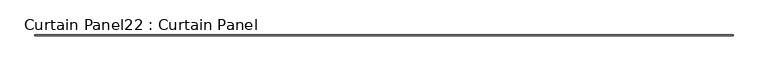
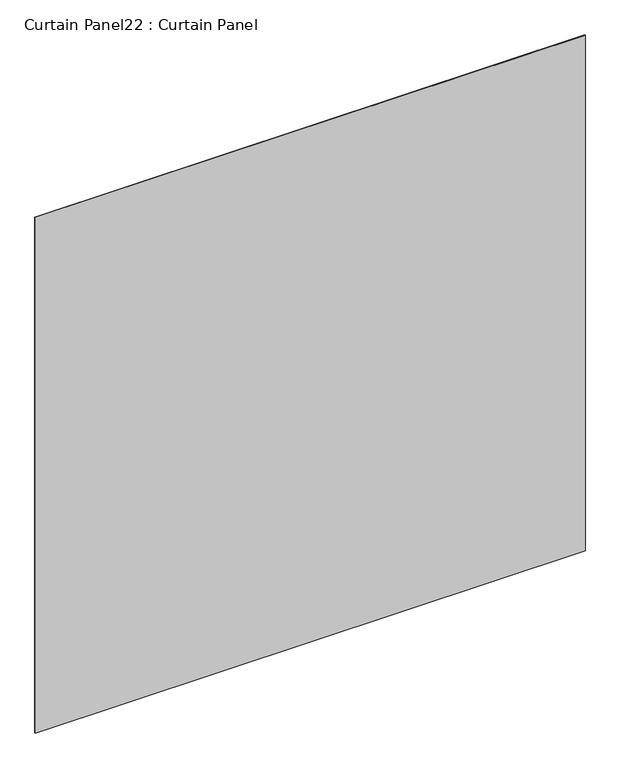
"""IFC4 building model written with IfcOpenShell, lengths in millimetres: plate geometry, Curtain Panel22 : Curtain Panel."""

from ifc_helpers import new_model, si_unit, frame, origin, place, context, project, spatial, polyline, outline, extrude, source, transform, mapped, element, save


def curtain_panel22_curtain_panel_68d8cf04(model_context):
    return source(origin(), model_context, "Body", "SweptSolid", [
        extrude(outline(polyline([(702191.0579196, 2971.051883), (696133.1579196, 2971.051883), (696133.1579196, 2977.401883), (702191.0579196, 2977.401883), (702191.0579196, 2971.051883)])), frame((0.0, 0.0, 7202.7276197), z_axis=(0.0, 0.0, 1.0), x_axis=(1.0, 0.0, 0.0)), (0.0, 0.0, 1.0), 6000.75),
    ])


if __name__ == "__main__":
    model = new_model("IFC4")
    model_context = context("Model", 3, world=origin())
    ifc_project = project(units=[si_unit("LENGTHUNIT", "METRE", prefix="MILLI")], contexts=[model_context])
    site = spatial("IfcSite", under=ifc_project)
    building = spatial("IfcBuilding", under=site)
    placement = place(None, origin())
    curtain_panel22_curtain_panel_shape = curtain_panel22_curtain_panel_68d8cf04(model_context)
    element("IfcPlate", 1, ObjectType="Curtain Panel22 : Curtain Panel", at=placement, inside=building, context=model_context, shape_type="MappedRepresentation", body=[
        mapped(curtain_panel22_curtain_panel_shape, transform((0.0, 0.0, 0.0), x_axis=(1.0, 0.0, 0.0), y_axis=(0.0, 1.0, 0.0), z_axis=(0.0, 0.0, 1.0))),
    ])
    save(model, "model.ifc")
